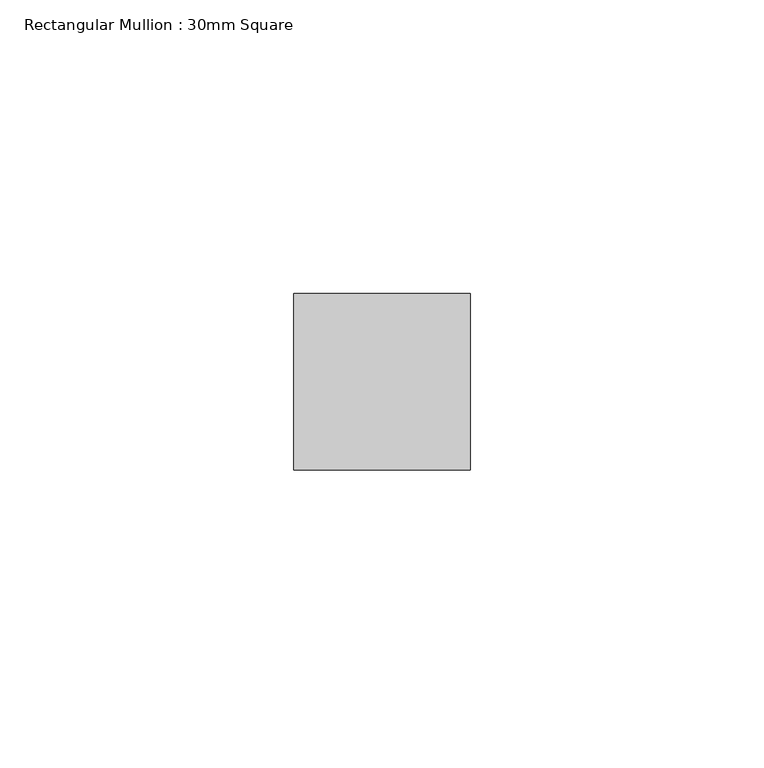
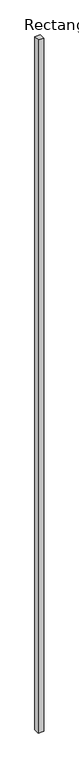
"""IFC4 building model written with IfcOpenShell, lengths in millimetres: member geometry, Rectangular Mullion : 30mm Square."""

from ifc_helpers import new_model, si_unit, frame, origin, place, context, project, spatial, polyline, outline, extrude, source, transform, mapped, element, save


def rectangular_mullion_30mm_square_723f18d1(model_context):
    return source(origin(), model_context, "Body", "SweptSolid", [
        extrude(outline(polyline([(15.0, 15.0), (15.0, -15.0), (-15.0, -15.0), (-15.0, 15.0), (15.0, 15.0)])), frame((0.0, 0.0, -3965.983904), z_axis=(0.0, 0.0, 1.0), x_axis=(1.0, 0.0, 0.0)), (0.0, 0.0, 1.0), 3965.983904),
    ])


if __name__ == "__main__":
    model = new_model("IFC4")
    model_context = context("Model", 3, world=origin())
    ifc_project = project(units=[si_unit("LENGTHUNIT", "METRE", prefix="MILLI")], contexts=[model_context])
    site = spatial("IfcSite", under=ifc_project)
    building = spatial("IfcBuilding", under=site)
    placement = place(None, origin())
    rectangular_mullion_30mm_square_shape = rectangular_mullion_30mm_square_723f18d1(model_context)
    element("IfcMember", 1, ObjectType="Rectangular Mullion : 30mm Square", at=placement, inside=building, context=model_context, shape_type="MappedRepresentation", body=[
        mapped(rectangular_mullion_30mm_square_shape, transform((0.0, 0.0, 0.0), x_axis=(1.0, 0.0, 0.0), y_axis=(0.0, 1.0, 0.0), z_axis=(0.0, 0.0, 1.0))),
    ])
    save(model, "model.ifc")
